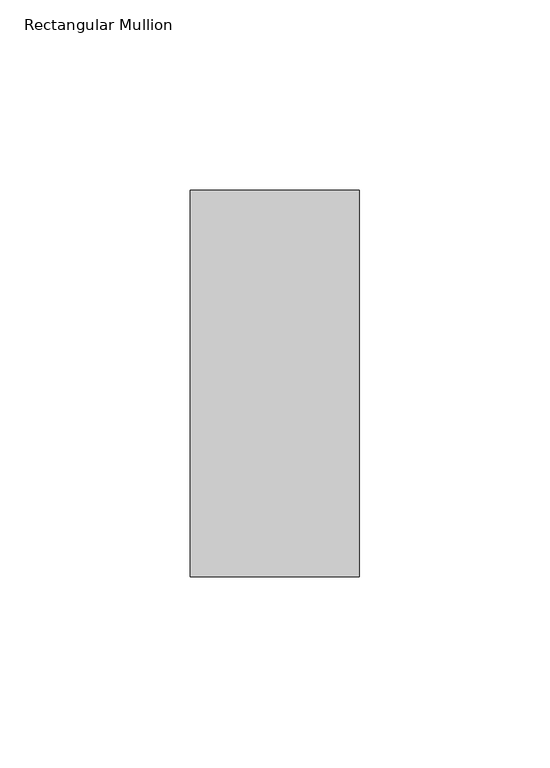
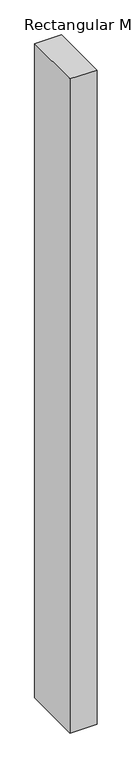
"""IFC4 building model written with IfcOpenShell, lengths in millimetres: member geometry, Rectangular Mullion."""

from ifc_helpers import new_model, si_unit, frame, origin, place, context, project, spatial, polyline, outline, extrude, source, transform, mapped, element, save


def rectangular_mullion_4e716d5c(model_context):
    return source(origin(), model_context, "Body", "SweptSolid", [
        extrude(outline(polyline([(0.0, 50.8), (0.0, -50.8), (-44.45, -50.8), (-44.45, 50.8), (0.0, 50.8)])), frame((0.0, 0.0, -1145.1166667), z_axis=(0.0, 0.0, 1.0), x_axis=(1.0, 0.0, 0.0)), (0.0, 0.0, 1.0), 1145.1166667),
    ])


if __name__ == "__main__":
    model = new_model("IFC4")
    model_context = context("Model", 3, world=origin())
    ifc_project = project(units=[si_unit("LENGTHUNIT", "METRE", prefix="MILLI")], contexts=[model_context])
    site = spatial("IfcSite", under=ifc_project)
    building = spatial("IfcBuilding", under=site)
    placement = place(None, origin())
    rectangular_mullion_shape = rectangular_mullion_4e716d5c(model_context)
    element("IfcMember", 1, ObjectType="Rectangular Mullion", at=placement, inside=building, context=model_context, shape_type="MappedRepresentation", body=[
        mapped(rectangular_mullion_shape, transform((0.0, 0.0, 0.0), x_axis=(1.0, 0.0, 0.0), y_axis=(0.0, 1.0, 0.0), z_axis=(0.0, 0.0, 1.0))),
    ])
    save(model, "model.ifc")
